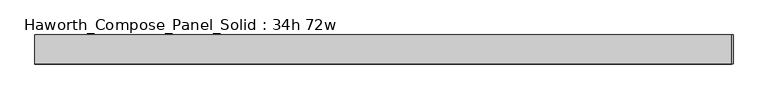
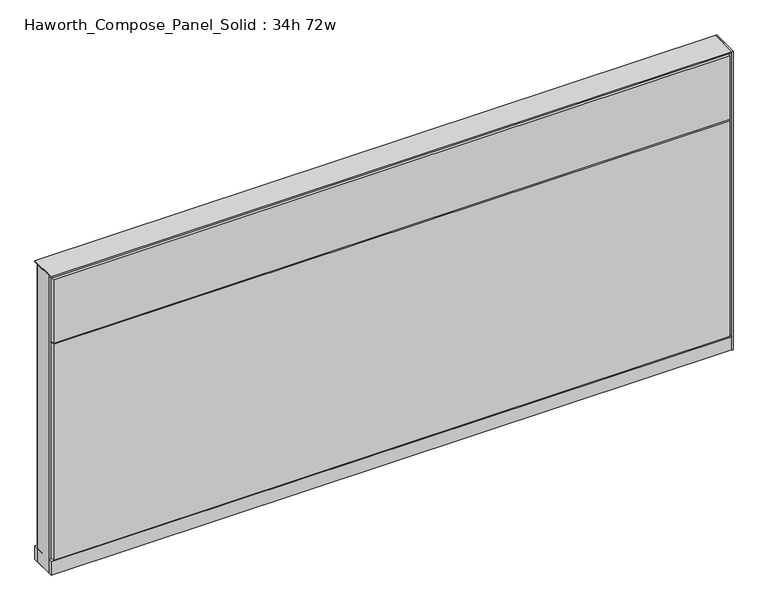
"""IFC4 building model written with IfcOpenShell, lengths in millimetres: furniture geometry, Haworth_Compose_Panel_Solid : 34h 72w."""

from ifc_helpers import new_model, si_unit, point, frame, frame_2d, origin, origin_with_axes, place, context, project, spatial, polyline, circle_curve, trimmed, segment, composite_curve, outline, extrude, source, transform, mapped, element, save


def haworth_compose_panel_solid_34h_72w_95d7865d(model_context):
    return source(origin(), model_context, "Body", "SweptSolid", [
        extrude(outline(composite_curve([segment(trimmed(circle_curve(frame_2d((-835.7597098, 0.0)), 12.7), [point((-848.4597098, 0.0))], [point((-823.0597098, 0.0))], False, "CARTESIAN"), True, "CONTINUOUS"), segment(trimmed(circle_curve(frame_2d((-835.7597098, 0.0)), 12.7), [point((-823.0597098, 0.0))], [point((-848.4597098, 0.0))], False, "CARTESIAN"), True, "CONTINUOUS")], self_intersect=False)), origin_with_axes(), (0.0, 0.0, 1.0), 12.7),
        extrude(outline(composite_curve([segment(trimmed(circle_curve(frame_2d((840.6402902, 0.0)), 12.7), [point((827.9402902, 0.0))], [point((853.3402902, 0.0))], False, "CARTESIAN"), True, "CONTINUOUS"), segment(trimmed(circle_curve(frame_2d((840.6402902, 0.0)), 12.7), [point((853.3402902, 0.0))], [point((827.9402902, 0.0))], False, "CARTESIAN"), True, "CONTINUOUS")], self_intersect=False)), origin_with_axes(), (0.0, 0.0, 1.0), 12.7),
        extrude(outline(polyline([(920.0152902, -38.1), (916.8402902, -38.1), (916.8402902, 38.1), (920.0152902, 38.1), (920.0152902, -38.1)])), frame((0.0, 0.0, 12.7), z_axis=(0.0, 0.0, 1.0), x_axis=(1.0, 0.0, 0.0)), (0.0, 0.0, 1.0), 847.725),
        extrude(outline(polyline([(910.4902902, -38.1), (-905.6097098, -38.1), (-905.6097098, -25.4), (910.4902902, -25.4), (910.4902902, -38.1)])), frame((0.0, 0.0, 669.925), z_axis=(0.0, 0.0, 1.0), x_axis=(1.0, 0.0, 0.0)), (0.0, 0.0, 1.0), 180.975),
        extrude(outline(polyline([(910.4902902, -38.1), (-905.6097098, -38.1), (-905.6097098, -25.4), (910.4902902, -25.4), (910.4902902, -38.1)])), frame((0.0, 0.0, 53.975), z_axis=(0.0, 0.0, 1.0), x_axis=(1.0, 0.0, 0.0)), (0.0, 0.0, 1.0), 612.775),
        extrude(outline(polyline([(910.4902902, 38.1), (910.4902902, 25.4), (-905.6097098, 25.4), (-905.6097098, 38.1), (910.4902902, 38.1)])), frame((0.0, 0.0, 53.975), z_axis=(0.0, 0.0, 1.0), x_axis=(1.0, 0.0, 0.0)), (0.0, 0.0, 1.0), 796.925),
        extrude(outline(polyline([(916.8402902, -25.4), (-911.9597098, -25.4), (-911.9597098, 25.4), (916.8402902, 25.4), (916.8402902, -25.4)])), frame((0.0, 0.0, 12.7), z_axis=(0.0, 0.0, 1.0), x_axis=(1.0, 0.0, 0.0)), (0.0, 0.0, 1.0), 844.55),
        extrude(outline(polyline([(-911.9597098, 38.1), (916.8402902, 38.1), (916.8402902, -38.1), (-911.9597098, -38.1), (-911.9597098, 38.1)])), frame((0.0, 0.0, 12.7), z_axis=(0.0, 0.0, 1.0), x_axis=(1.0, 0.0, 0.0)), (0.0, 0.0, 1.0), 38.1),
        extrude(outline(polyline([(-911.9597098, 38.1), (916.8402902, 38.1), (916.8402902, -38.1), (-911.9597098, -38.1), (-911.9597098, 38.1)])), frame((0.0, 0.0, 857.25), z_axis=(0.0, 0.0, 1.0), x_axis=(1.0, 0.0, 0.0)), (0.0, 0.0, 1.0), 3.175),
    ])


if __name__ == "__main__":
    model = new_model("IFC4")
    model_context = context("Model", 3, world=origin())
    ifc_project = project(units=[si_unit("LENGTHUNIT", "METRE", prefix="MILLI")], contexts=[model_context])
    site = spatial("IfcSite", under=ifc_project)
    building = spatial("IfcBuilding", under=site)
    placement = place(None, origin())
    haworth_compose_panel_solid_34h_72w_shape = haworth_compose_panel_solid_34h_72w_95d7865d(model_context)
    element("IfcFurniture", 1, ObjectType="Haworth_Compose_Panel_Solid : 34h 72w", at=placement, inside=building, context=model_context, shape_type="MappedRepresentation", body=[
        mapped(haworth_compose_panel_solid_34h_72w_shape, transform((0.0, 0.0, 0.0), x_axis=(1.0, 0.0, 0.0), y_axis=(0.0, 1.0, 0.0), z_axis=(0.0, 0.0, 1.0))),
    ])
    save(model, "model.ifc")
